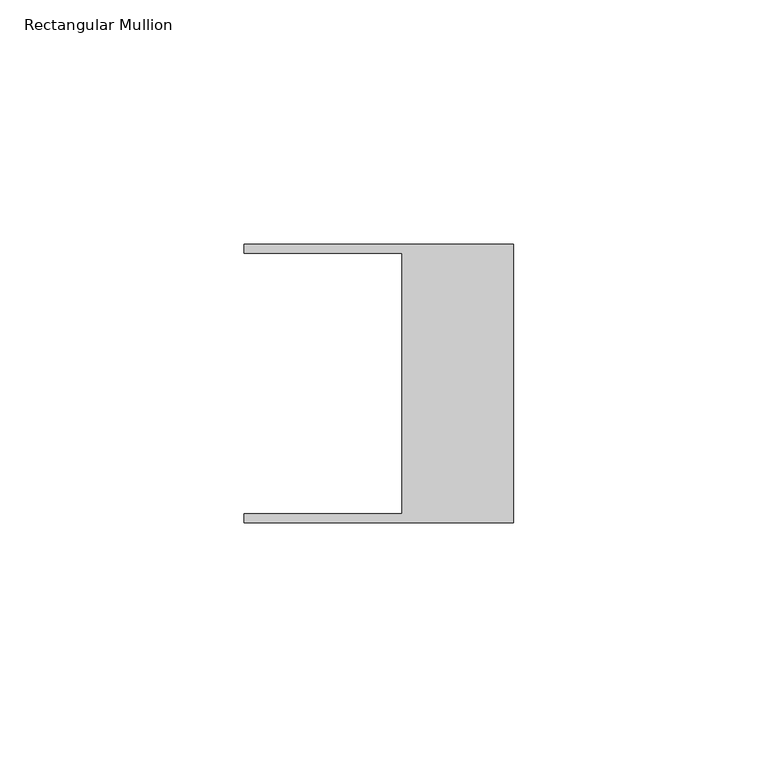
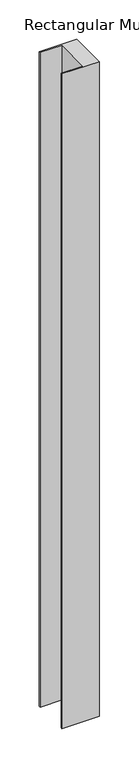
"""IFC4 building model written with IfcOpenShell, lengths in millimetres: member geometry, Rectangular Mullion."""

from ifc_helpers import new_model, si_unit, frame, origin, place, context, project, spatial, polyline, outline, extrude, source, transform, mapped, element, save


def rectangular_mullion_93066be0(model_context):
    return source(origin(), model_context, "Body", "SweptSolid", [
        extrude(outline(polyline([(-55.118, 26.67), (-55.118, 28.448), (0.0, 28.448), (0.0, -28.448), (-55.118, -28.448), (-55.118, -26.67), (-22.86, -26.67), (-22.86, 26.67), (-55.118, 26.67)])), frame((0.0, 0.0, -1015.985574), z_axis=(0.0, 0.0, 1.0), x_axis=(1.0, 0.0, 0.0)), (0.0, 0.0, 1.0), 1015.985574),
    ])


if __name__ == "__main__":
    model = new_model("IFC4")
    model_context = context("Model", 3, world=origin())
    ifc_project = project(units=[si_unit("LENGTHUNIT", "METRE", prefix="MILLI")], contexts=[model_context])
    site = spatial("IfcSite", under=ifc_project)
    building = spatial("IfcBuilding", under=site)
    placement = place(None, origin())
    rectangular_mullion_shape = rectangular_mullion_93066be0(model_context)
    element("IfcMember", 1, ObjectType="Rectangular Mullion", at=placement, inside=building, context=model_context, shape_type="MappedRepresentation", body=[
        mapped(rectangular_mullion_shape, transform((0.0, 0.0, 0.0), x_axis=(1.0, 0.0, 0.0), y_axis=(0.0, 1.0, 0.0), z_axis=(0.0, 0.0, 1.0))),
    ])
    save(model, "model.ifc")
